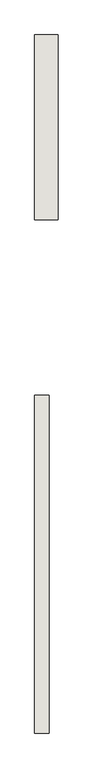
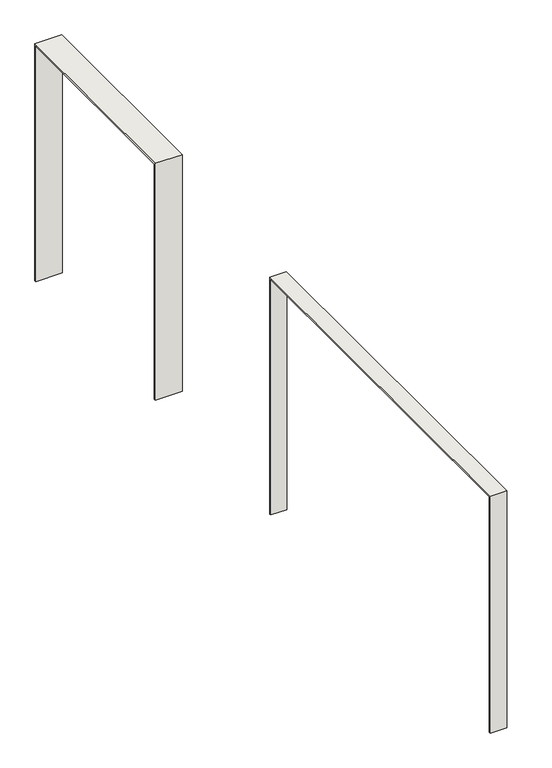
"""IFC4 building model written with IfcOpenShell, lengths in millimetres: wall geometry."""

from ifc_helpers import new_model, si_unit, origin, place, context, project, spatial, faceted_brep, source, transform, mapped, element, save


def wall_171a8058(model_context):
    return source(origin(), model_context, "Body", "Brep", [
        faceted_brep([(3887.0727507, -229.715237, 0.0), (4042.0727507, -229.715237, 0.0), (4042.0727507, -244.715237, 0.0), (3887.0727507, -244.715237, 0.0), (3887.0727507, -229.715237, 2400.0), (4042.0727507, -229.715237, 2400.0), (4042.0727507, -3889.715237, 2400.0), (4042.0727507, -3889.715237, 0.0), (4042.0727507, -3874.715237, 0.0), (4042.0727507, -3874.715237, 2385.0), (4042.0727507, -244.715237, 2385.0), (3887.0727507, -244.715237, 2385.0), (3887.0727507, -3874.715237, 2385.0), (3887.0727507, -3874.715237, 0.0), (3887.0727507, -3889.715237, 0.0), (3887.0727507, -3889.715237, 2400.0), (3902.0727507, -3889.715237, 2400.0)], [[[0, 1, 2, 3]], [[1, 0, 4, 5]], [[2, 1, 5, 6, 7, 8, 9, 10]], [[3, 2, 10, 11]], [[0, 3, 11, 12, 13, 14, 15, 4]], [[5, 4, 15, 16, 6]], [[11, 10, 9, 12]], [[14, 13, 8, 7]], [[6, 16, 15, 14, 7]], [[12, 9, 8, 13]]]),
        faceted_brep([(4142.0727507, 3655.284763, 0.0), (3887.0727507, 3655.284763, 0.0), (3887.0727507, 3670.284763, 0.0), (4142.0727507, 3670.284763, 0.0), (4142.0727507, 3655.284763, 2385.0), (3887.0727507, 3655.284763, 2385.0), (3887.0727507, 1685.284763, 2385.0), (3887.0727507, 1685.284763, 0.0), (3887.0727507, 1670.284763, 0.0), (3887.0727507, 1670.284763, 2400.0), (3887.0727507, 3670.284763, 2400.0), (3902.0727507, 3670.284763, 2400.0), (4142.0727507, 3670.284763, 2400.0), (4142.0727507, 1670.284763, 2400.0), (4142.0727507, 1670.284763, 0.0), (4142.0727507, 1685.284763, 0.0), (4142.0727507, 1685.284763, 2385.0)], [[[0, 1, 2, 3]], [[1, 0, 4, 5]], [[2, 1, 5, 6, 7, 8, 9, 10]], [[3, 2, 10, 11, 12]], [[0, 3, 12, 13, 14, 15, 16, 4]], [[5, 4, 16, 6]], [[12, 11, 10, 9, 13]], [[15, 14, 8, 7]], [[6, 16, 15, 7]], [[13, 9, 8, 14]]]),
    ])


if __name__ == "__main__":
    model = new_model("IFC4")
    model_context = context("Model", 3, world=origin())
    ifc_project = project(units=[si_unit("LENGTHUNIT", "METRE", prefix="MILLI")], contexts=[model_context])
    site = spatial("IfcSite", under=ifc_project)
    building = spatial("IfcBuilding", under=site)
    placement = place(None, origin())
    wall_shape = wall_171a8058(model_context)
    element("IfcWall", 1, at=placement, inside=building, context=model_context, shape_type="MappedRepresentation", body=[
        mapped(wall_shape, transform((0.0, 0.0, 0.0), x_axis=(1.0, 0.0, 0.0), y_axis=(0.0, 1.0, 0.0), z_axis=(0.0, 0.0, 1.0))),
    ])
    save(model, "model.ifc")
